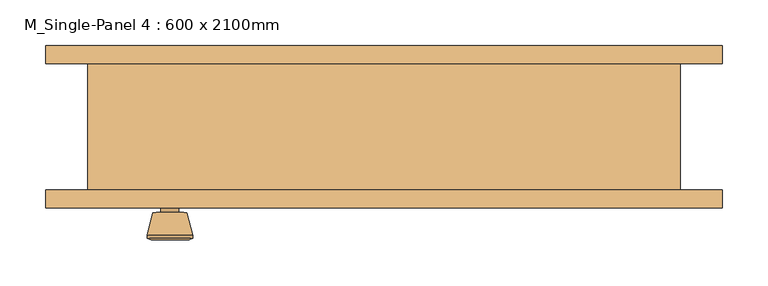
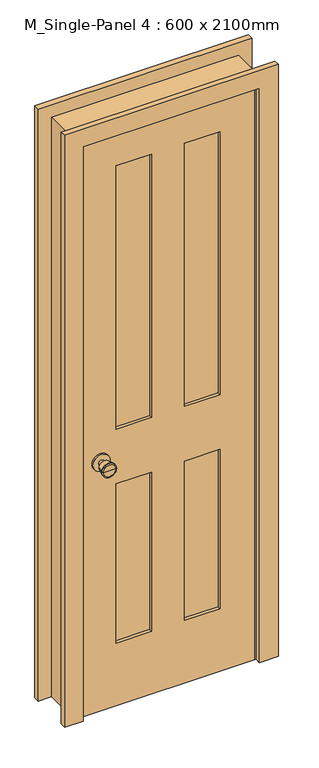
"""IFC4 building model written with IfcOpenShell, lengths in millimetres: door geometry, M_Single-Panel 4 : 600 x 2100mm."""

from ifc_helpers import new_model, si_unit, point, frame, frame_2d, origin, place, context, project, spatial, polyline, circle_curve, trimmed, segment, composite_curve, outline, extrude, faceted_brep, source, transform, mapped, element, save
from ifc_brep_helpers import plane_surface, cylinder_surface, revolved_surface, advanced_brep


def m_single_panel_4_600_x_2100mm_2a68f2bc(model_context):
    return source(origin(), model_context, "Body", "SolidModel", [
        advanced_brep(
        [(-235.0, -25.075, 914.4), (-245.0, -25.075, 914.4), (-225.0, -25.075, 914.4), (-214.5241324, 23.925, 914.4), (-255.4758676, 23.925, 914.4), (-235.0, 23.925, 914.4), (-210.0, 22.0971319, 914.4), (-260.0, 22.0971319, 914.4), (-210.0, 18.6334537, 914.4), (-260.0, 18.6334537, 914.4), (-216.363764, -6.075, 914.4), (-253.636236, -6.075, 914.4), (-225.0, -6.075, 914.4), (-245.0, -6.075, 914.4)],
        [
            (0, 1),
            (1, 2, circle_curve(frame((-235.0, -25.075, 914.4), z_axis=(0.0, -1.0, 0.0), x_axis=(-1.0, 0.0, 0.0)), 10.0)),
            (2, 0),
            (2, 1, circle_curve(frame((-235.0, -25.075, 914.4), z_axis=(0.0, -1.0, 0.0), x_axis=(-1.0, 0.0, 0.0)), 10.0)),
            (3, 4, circle_curve(frame((-235.0, 23.925, 914.4), z_axis=(0.0, 1.0, 0.0), x_axis=(-1.0, 0.0, 0.0)), 20.4758676)),
            (4, 5),
            (5, 3),
            (4, 3, circle_curve(frame((-235.0, 23.925, 914.4), z_axis=(0.0, 1.0, 0.0), x_axis=(-1.0, 0.0, 0.0)), 20.4758676)),
            (6, 7, circle_curve(frame((-235.0, 22.0971319, 914.4), z_axis=(0.0, 1.0, 0.0), x_axis=(-1.0, 0.0, 0.0)), 25.0)),
            (7, 4),
            (3, 6),
            (7, 6, circle_curve(frame((-235.0, 22.0971319, 914.4), z_axis=(0.0, 1.0, 0.0), x_axis=(-1.0, 0.0, 0.0)), 25.0)),
            (8, 9, circle_curve(frame((-235.0, 18.6334537, 914.4), z_axis=(0.0, 1.0, 0.0), x_axis=(-1.0, 0.0, 0.0)), 25.0)),
            (9, 7),
            (6, 8),
            (9, 8, circle_curve(frame((-235.0, 18.6334537, 914.4), z_axis=(0.0, 1.0, 0.0), x_axis=(-1.0, 0.0, 0.0)), 25.0)),
            (10, 11, circle_curve(frame((-235.0, -6.075, 914.4), z_axis=(0.0, 1.0, 0.0), x_axis=(-1.0, 0.0, 0.0)), 18.636236)),
            (11, 9),
            (8, 10),
            (11, 10, circle_curve(frame((-235.0, -6.075, 914.4), z_axis=(0.0, 1.0, 0.0), x_axis=(-1.0, 0.0, 0.0)), 18.636236)),
            (12, 13, circle_curve(frame((-235.0, -6.075, 914.4), z_axis=(0.0, 1.0, 0.0), x_axis=(-1.0, 0.0, 0.0)), 10.0)),
            (13, 11),
            (10, 12),
            (13, 12, circle_curve(frame((-235.0, -6.075, 914.4), z_axis=(0.0, 1.0, 0.0), x_axis=(-1.0, 0.0, 0.0)), 10.0)),
            (1, 13),
            (12, 2),
        ],
        [
            plane_surface(frame((-235.0, -25.075, 914.4), z_axis=(0.0, -1.0, 0.0), x_axis=(-1.0, 0.0, 0.0))),
            plane_surface(frame((-235.0, 23.925, 914.4), z_axis=(0.0, 1.0, 0.0), x_axis=(-1.0, 0.0, 0.0))),
            revolved_surface(polyline([(-255.4758676, 23.925, 914.4), (-260.0, 22.0971319, 914.4)]), (-235.0, -25.075, 914.4), (0.0, -1.0, 0.0)),
            cylinder_surface(frame((-235.0, -25.075, 914.4), z_axis=(0.0, -1.0, 0.0), x_axis=(-1.0, 0.0, 0.0)), 25.0),
            revolved_surface(polyline([(-260.0, 18.6334537, 914.4), (-253.636236, -6.075, 914.4)]), (-235.0, -25.075, 914.4), (0.0, -1.0, 0.0)),
            plane_surface(frame((-235.0, -6.075, 914.4), z_axis=(0.0, -1.0, 0.0), x_axis=(-1.0, 0.0, 0.0))),
            cylinder_surface(frame((-235.0, -25.075, 914.4), z_axis=(0.0, -1.0, 0.0), x_axis=(-1.0, 0.0, 0.0)), 10.0),
        ],
        [
            (0, [[1, 2, 3]]),
            (0, [[-3, 4, -1]]),
            (1, [[5, 6, 7]]),
            (1, [[8, -7, -6]]),
            (2, [[9, 10, -5, 11]]),
            (2, [[12, -11, -8, -10]]),
            (3, [[13, 14, -9, 15]]),
            (3, [[16, -15, -12, -14]]),
            (4, [[17, 18, -13, 19]]),
            (4, [[20, -19, -16, -18]]),
            (5, [[21, 22, -17, 23]]),
            (5, [[24, -23, -20, -22]]),
            (6, [[-2, 25, -21, 26]]),
            (6, [[-4, -26, -24, -25]]),
        ],
    ),
        extrude(outline(composite_curve([segment(trimmed(circle_curve(frame_2d((914.4, -235.0)), 30.0), [point((914.4, -265.0))], [point((914.4, -205.0))], False, "CARTESIAN"), True, "CONTINUOUS"), segment(trimmed(circle_curve(frame_2d((914.4, -235.0)), 30.0), [point((914.4, -205.0))], [point((914.4, -265.0))], False, "CARTESIAN"), True, "CONTINUOUS")], self_intersect=False)), frame((0.0, -31.075, 0.0), z_axis=(0.0, 1.0, 0.0), x_axis=(0.0, 0.0, 1.0)), (0.0, 0.0, 1.0), 6.0),
        advanced_brep(
        [(-235.0, -72.075, 914.4), (-225.0, -72.075, 914.4), (-245.0, -72.075, 914.4), (-214.5241324, -121.075, 914.4), (-235.0, -121.075, 914.4), (-255.4758676, -121.075, 914.4), (-210.0, -119.2471319, 914.4), (-260.0, -119.2471319, 914.4), (-210.0, -115.7834537, 914.4), (-260.0, -115.7834537, 914.4), (-216.363764, -91.075, 914.4), (-253.636236, -91.075, 914.4), (-225.0, -91.075, 914.4), (-245.0, -91.075, 914.4)],
        [
            (0, 1),
            (1, 2, circle_curve(frame((-235.0, -72.075, 914.4), z_axis=(0.0, 1.0, 0.0), x_axis=(-1.0, 0.0, 0.0)), 10.0)),
            (2, 0),
            (2, 1, circle_curve(frame((-235.0, -72.075, 914.4), z_axis=(0.0, 1.0, 0.0), x_axis=(-1.0, 0.0, 0.0)), 10.0)),
            (3, 4),
            (4, 5),
            (5, 3, circle_curve(frame((-235.0, -121.075, 914.4), z_axis=(0.0, -1.0, 0.0), x_axis=(-1.0, 0.0, 0.0)), 20.4758676)),
            (3, 5, circle_curve(frame((-235.0, -121.075, 914.4), z_axis=(0.0, -1.0, 0.0), x_axis=(-1.0, 0.0, 0.0)), 20.4758676)),
            (6, 3),
            (5, 7),
            (7, 6, circle_curve(frame((-235.0, -119.2471319, 914.4), z_axis=(0.0, -1.0, 0.0), x_axis=(-1.0, 0.0, 0.0)), 25.0)),
            (6, 7, circle_curve(frame((-235.0, -119.2471319, 914.4), z_axis=(0.0, -1.0, 0.0), x_axis=(-1.0, 0.0, 0.0)), 25.0)),
            (8, 6),
            (7, 9),
            (9, 8, circle_curve(frame((-235.0, -115.7834537, 914.4), z_axis=(0.0, -1.0, 0.0), x_axis=(-1.0, 0.0, 0.0)), 25.0)),
            (8, 9, circle_curve(frame((-235.0, -115.7834537, 914.4), z_axis=(0.0, -1.0, 0.0), x_axis=(-1.0, 0.0, 0.0)), 25.0)),
            (10, 8),
            (9, 11),
            (11, 10, circle_curve(frame((-235.0, -91.075, 914.4), z_axis=(0.0, -1.0, 0.0), x_axis=(-1.0, 0.0, 0.0)), 18.636236)),
            (10, 11, circle_curve(frame((-235.0, -91.075, 914.4), z_axis=(0.0, -1.0, 0.0), x_axis=(-1.0, 0.0, 0.0)), 18.636236)),
            (12, 10),
            (11, 13),
            (13, 12, circle_curve(frame((-235.0, -91.075, 914.4), z_axis=(0.0, -1.0, 0.0), x_axis=(-1.0, 0.0, 0.0)), 10.0)),
            (12, 13, circle_curve(frame((-235.0, -91.075, 914.4), z_axis=(0.0, -1.0, 0.0), x_axis=(-1.0, 0.0, 0.0)), 10.0)),
            (1, 12),
            (13, 2),
        ],
        [
            plane_surface(frame((-235.0, -72.075, 914.4), z_axis=(0.0, 1.0, 0.0), x_axis=(-1.0, 0.0, 0.0))),
            plane_surface(frame((-235.0, -121.075, 914.4), z_axis=(0.0, -1.0, 0.0), x_axis=(-1.0, 0.0, 0.0))),
            revolved_surface(polyline([(-255.4758676, -121.075, 914.4), (-260.0, -119.2471319, 914.4)]), (-235.0, -72.075, 914.4), (0.0, 1.0, 0.0)),
            cylinder_surface(frame((-235.0, -72.075, 914.4), z_axis=(0.0, 1.0, 0.0), x_axis=(-1.0, 0.0, 0.0)), 25.0),
            revolved_surface(polyline([(-260.0, -115.7834537, 914.4), (-253.636236, -91.075, 914.4)]), (-235.0, -72.075, 914.4), (0.0, 1.0, 0.0)),
            plane_surface(frame((-235.0, -91.075, 914.4), z_axis=(0.0, 1.0, 0.0), x_axis=(-1.0, 0.0, 0.0))),
            cylinder_surface(frame((-235.0, -72.075, 914.4), z_axis=(0.0, 1.0, 0.0), x_axis=(-1.0, 0.0, 0.0)), 10.0),
        ],
        [
            (0, [[1, 2, 3]]),
            (0, [[-3, 4, -1]]),
            (1, [[5, 6, 7]]),
            (1, [[-6, -5, 8]]),
            (2, [[9, -7, 10, 11]]),
            (2, [[-10, -8, -9, 12]]),
            (3, [[13, -11, 14, 15]]),
            (3, [[-14, -12, -13, 16]]),
            (4, [[17, -15, 18, 19]]),
            (4, [[-18, -16, -17, 20]]),
            (5, [[21, -19, 22, 23]]),
            (5, [[-22, -20, -21, 24]]),
            (6, [[25, -23, 26, -2]]),
            (6, [[-26, -24, -25, -4]]),
        ],
    ),
        extrude(outline(composite_curve([segment(trimmed(circle_curve(frame_2d((914.4, -235.0)), 30.0), [point((914.4, -265.0))], [point((914.4, -205.0))], False, "CARTESIAN"), True, "CONTINUOUS"), segment(trimmed(circle_curve(frame_2d((914.4, -235.0)), 30.0), [point((914.4, -205.0))], [point((914.4, -265.0))], False, "CARTESIAN"), True, "CONTINUOUS")], self_intersect=False)), frame((0.0, -72.075, 0.0), z_axis=(0.0, 1.0, 0.0), x_axis=(0.0, 0.0, 1.0)), (0.0, 0.0, 1.0), 6.0),
        extrude(outline(polyline([(180.0, -42.7416667), (180.0, -54.4083333), (57.5, -54.4083333), (57.5, -42.7416667), (180.0, -42.7416667)])), frame((0.0, 0.0, 1014.4), z_axis=(0.0, 0.0, 1.0), x_axis=(1.0, 0.0, 0.0)), (0.0, 0.0, 1.0), 965.6),
        extrude(outline(polyline([(-57.5, -42.7416667), (-57.5, -54.4083333), (-180.0, -54.4083333), (-180.0, -42.7416667), (-57.5, -42.7416667)])), frame((0.0, 0.0, 1014.4), z_axis=(0.0, 0.0, 1.0), x_axis=(1.0, 0.0, 0.0)), (0.0, 0.0, 1.0), 965.6),
        extrude(outline(polyline([(180.0, -42.7416667), (180.0, -54.4083333), (57.5, -54.4083333), (57.5, -42.7416667), (180.0, -42.7416667)])), frame((0.0, 0.0, 230.0), z_axis=(0.0, 0.0, 1.0), x_axis=(1.0, 0.0, 0.0)), (0.0, 0.0, 1.0), 584.4),
        extrude(outline(polyline([(-57.5, -42.7416667), (-57.5, -54.4083333), (-180.0, -54.4083333), (-180.0, -42.7416667), (-57.5, -42.7416667)])), frame((0.0, 0.0, 230.0), z_axis=(0.0, 0.0, 1.0), x_axis=(1.0, 0.0, 0.0)), (0.0, 0.0, 1.0), 584.4),
        extrude(outline(polyline([(2100.0, -300.0), (0.0, -300.0), (0.0, 300.0), (2100.0, 300.0), (2100.0, -300.0)]), holes=[polyline([(1980.0, 57.5), (1980.0, 180.0), (1014.4, 180.0), (1014.4, 57.5), (1980.0, 57.5)]), polyline([(1014.4, -57.5), (1014.4, -180.0), (1980.0, -180.0), (1980.0, -57.5), (1014.4, -57.5)]), polyline([(814.4, 57.5), (814.4, 180.0), (230.0, 180.0), (230.0, 57.5), (814.4, 57.5)]), polyline([(230.0, -57.5), (230.0, -180.0), (814.4, -180.0), (814.4, -57.5), (230.0, -57.5)])]), frame((0.0, -66.075, 0.0), z_axis=(0.0, 1.0, 0.0), x_axis=(0.0, 0.0, 1.0)), (0.0, 0.0, 1.0), 35.0),
        faceted_brep([(325.0, -66.075, 0.0), (300.0, -66.075, 0.0), (300.0, -31.075, 0.0), (287.3, -31.075, 0.0), (287.3, 3.85, 0.0), (300.0, 3.85, 0.0), (300.0, 72.425, 0.0), (325.0, 72.425, 0.0), (325.0, 72.425, 2125.0), (325.0, -66.075, 2125.0), (300.0, 72.425, 2100.0), (-300.0, 72.425, 2100.0), (-300.0, 72.425, 0.0), (-325.0, 72.425, 0.0), (-325.0, 72.425, 2125.0), (300.0, 3.85, 2100.0), (287.3, 3.85, 2087.3), (-287.3, 3.85, 2087.3), (-287.3, 3.85, 0.0), (-300.0, 3.85, 0.0), (-300.0, 3.85, 2100.0), (287.3, -31.075, 2087.3), (300.0, -31.075, 2100.0), (-300.0, -31.075, 2100.0), (-300.0, -31.075, 0.0), (-287.3, -31.075, 0.0), (-287.3, -31.075, 2087.3), (300.0, -66.075, 2100.0), (-325.0, -66.075, 2125.0), (-325.0, -66.075, 0.0), (-300.0, -66.075, 0.0), (-300.0, -66.075, 2100.0)], [[[0, 1, 2, 3, 4, 5, 6, 7]], [[7, 8, 9, 0]], [[6, 10, 11, 12, 13, 14, 8, 7]], [[5, 15, 10, 6]], [[4, 16, 17, 18, 19, 20, 15, 5]], [[3, 21, 16, 4]], [[2, 22, 23, 24, 25, 26, 21, 3]], [[1, 27, 22, 2]], [[0, 9, 28, 29, 30, 31, 27, 1]], [[8, 14, 28, 9]], [[15, 20, 11, 10]], [[21, 26, 17, 16]], [[27, 31, 23, 22]], [[29, 13, 12, 19, 18, 25, 24, 30]], [[14, 13, 29, 28]], [[20, 19, 12, 11]], [[26, 25, 18, 17]], [[31, 30, 24, 23]]]),
        extrude(outline(polyline([(0.0, 371.35), (2171.35, 371.35), (2171.35, -371.35), (0.0, -371.35), (0.0, -306.35), (2106.35, -306.35), (2106.35, 306.35), (0.0, 306.35), (0.0, 371.35)])), frame((0.0, 72.425, 0.0), z_axis=(0.0, 1.0, 0.0), x_axis=(0.0, 0.0, 1.0)), (0.0, 0.0, 1.0), 20.0),
        extrude(outline(polyline([(0.0, 371.35), (2171.35, 371.35), (2171.35, -371.35), (0.0, -371.35), (0.0, -306.35), (2106.35, -306.35), (2106.35, 306.35), (0.0, 306.35), (0.0, 371.35)])), frame((0.0, -86.075, 0.0), z_axis=(0.0, 1.0, 0.0), x_axis=(0.0, 0.0, 1.0)), (0.0, 0.0, 1.0), 20.0),
    ])


if __name__ == "__main__":
    model = new_model("IFC4")
    model_context = context("Model", 3, world=origin())
    ifc_project = project(units=[si_unit("LENGTHUNIT", "METRE", prefix="MILLI")], contexts=[model_context])
    site = spatial("IfcSite", under=ifc_project)
    building = spatial("IfcBuilding", under=site)
    placement = place(None, origin())
    m_single_panel_4_600_x_2100mm_shape = m_single_panel_4_600_x_2100mm_2a68f2bc(model_context)
    element("IfcDoor", 1, ObjectType="M_Single-Panel 4 : 600 x 2100mm", at=placement, inside=building, context=model_context, shape_type="MappedRepresentation", body=[
        mapped(m_single_panel_4_600_x_2100mm_shape, transform((0.0, 0.0, 0.0), x_axis=(1.0, 0.0, 0.0), y_axis=(0.0, 1.0, 0.0), z_axis=(0.0, 0.0, 1.0))),
    ])
    save(model, "model.ifc")
